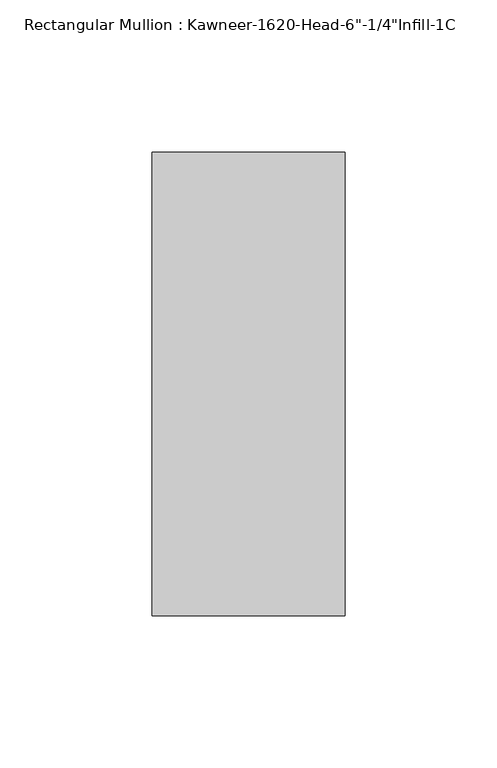
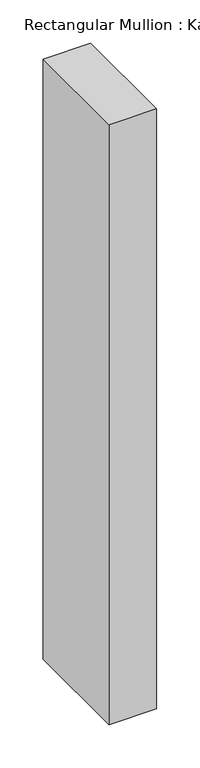
"""IFC4 building model written with IfcOpenShell, lengths in millimetres: member geometry."""

from ifc_helpers import new_model, si_unit, frame, origin, place, context, project, spatial, polyline, outline, extrude, source, transform, mapped, element, save


def member_43752acb(model_context):
    return source(origin(), model_context, "Body", "SweptSolid", [
        extrude(outline(polyline([(-22.225, 28.575), (41.275, 28.575), (41.275, -123.825), (-22.225, -123.825), (-22.225, 28.575)])), frame((0.0, 0.0, -845.4182369), z_axis=(0.0, 0.0, 1.0), x_axis=(1.0, 0.0, 0.0)), (0.0, 0.0, 1.0), 845.4182369),
    ])


if __name__ == "__main__":
    model = new_model("IFC4")
    model_context = context("Model", 3, world=origin())
    ifc_project = project(units=[si_unit("LENGTHUNIT", "METRE", prefix="MILLI")], contexts=[model_context])
    site = spatial("IfcSite", under=ifc_project)
    building = spatial("IfcBuilding", under=site)
    placement = place(None, origin())
    member_shape = member_43752acb(model_context)
    element("IfcMember", 1, ObjectType="Rectangular Mullion : Kawneer-1620-Head-6\"-1/4\"Infill-1C", at=placement, inside=building, context=model_context, shape_type="MappedRepresentation", body=[
        mapped(member_shape, transform((0.0, 0.0, 0.0), x_axis=(1.0, 0.0, 0.0), y_axis=(0.0, 1.0, 0.0), z_axis=(0.0, 0.0, 1.0))),
    ])
    save(model, "model.ifc")
